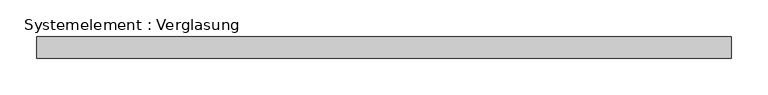
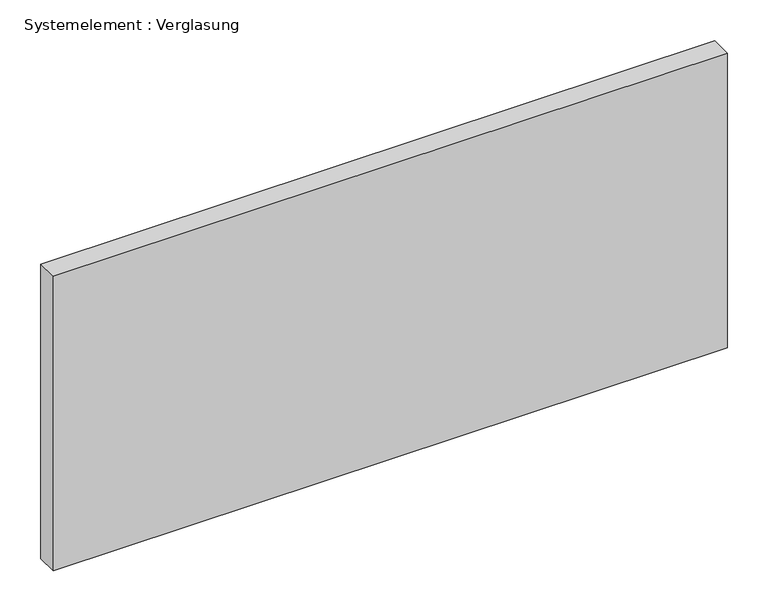
"""IFC4 building model written with IfcOpenShell, lengths in millimetres: plate geometry, Systemelement : Verglasung."""

from ifc_helpers import new_model, si_unit, origin, origin_with_axes, place, context, project, spatial, polyline, outline, extrude, source, transform, mapped, element, save


def systemelement_verglasung_e5ff03a7(model_context):
    return source(origin(), model_context, "Body", "SweptSolid", [
        extrude(outline(polyline([(475.8337479, -15.0), (-475.8337479, -15.0), (-475.8337479, 15.0), (475.8337479, 15.0), (475.8337479, -15.0)])), origin_with_axes(), (0.0, 0.0, 1.0), 440.0),
    ])


if __name__ == "__main__":
    model = new_model("IFC4")
    model_context = context("Model", 3, world=origin())
    ifc_project = project(units=[si_unit("LENGTHUNIT", "METRE", prefix="MILLI")], contexts=[model_context])
    site = spatial("IfcSite", under=ifc_project)
    building = spatial("IfcBuilding", under=site)
    placement = place(None, origin())
    systemelement_verglasung_shape = systemelement_verglasung_e5ff03a7(model_context)
    element("IfcPlate", 1, ObjectType="Systemelement : Verglasung", at=placement, inside=building, context=model_context, shape_type="MappedRepresentation", body=[
        mapped(systemelement_verglasung_shape, transform((0.0, 0.0, 0.0), x_axis=(1.0, 0.0, 0.0), y_axis=(0.0, 1.0, 0.0), z_axis=(0.0, 0.0, 1.0))),
    ])
    save(model, "model.ifc")
